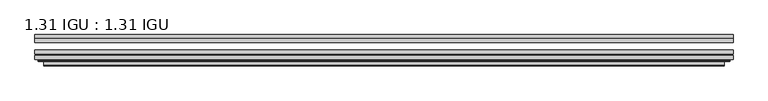
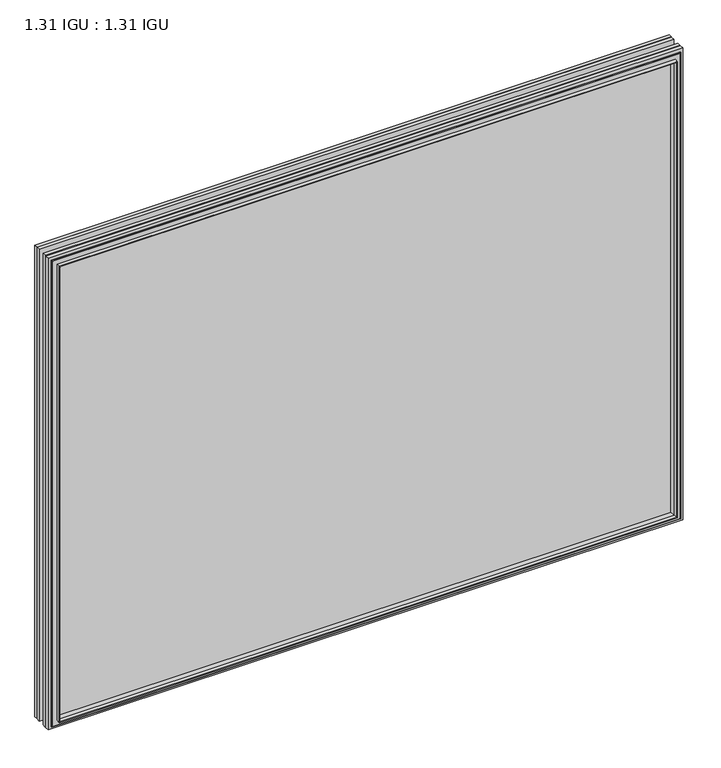
"""IFC4 building model written with IfcOpenShell, lengths in millimetres: plate geometry, 1.31 IGU : 1.31 IGU."""

from ifc_helpers import new_model, si_unit, frame, origin, place, context, project, spatial, polyline, ellipse_curve, outline, extrude, faceted_brep, source, transform, mapped, element, save
from ifc_brep_helpers import plane_surface, cylinder_surface, advanced_brep


def plate_1_31_igu_1_31_igu_26c7fae7(model_context):
    return source(origin(), model_context, "Body", "SolidModel", [
        extrude(outline(polyline([(553.9060218, -66.4725937), (553.9060218, -72.8225938), (-553.8918469, -72.8225938), (-553.8918469, -66.4725937), (553.9060218, -66.4725937)])), frame((0.0, 0.0, -14.2875), z_axis=(0.0, 0.0, 1.0), x_axis=(1.0, 0.0, 0.0)), (0.0, 0.0, 1.0), 869.9537979),
        extrude(outline(polyline([(-553.8918469, -81.4585938), (-553.8918469, -75.1080887), (553.9060218, -75.1080887), (553.9060218, -81.4585938), (-553.8918469, -81.4585938)])), frame((0.0, 0.0, -14.2875), z_axis=(0.0, 0.0, 1.0), x_axis=(1.0, 0.0, 0.0)), (0.0, 0.0, 1.0), 869.9537979),
        extrude(outline(polyline([(553.9060218, -48.1337937), (553.9060218, -54.4837938), (-553.8918469, -54.4837938), (-553.8918469, -48.1337937), (553.9060218, -48.1337937)])), frame((0.0, 0.0, -14.2875), z_axis=(0.0, 0.0, 1.0), x_axis=(1.0, 0.0, 0.0)), (0.0, 0.0, 1.0), 869.9537979),
        faceted_brep([(-539.5990371, -41.7837938, 841.3696902), (-538.7066028, -48.1337937, 840.4772559), (-538.7066028, -48.1337937, 0.8977441), (-539.5990371, -41.7837938, 0.0053098), (-553.9045469, -48.1337937, 855.6752), (-553.9045469, -41.7837938, 855.6752), (-553.9045469, -41.7837938, -14.3002), (-553.9045469, -48.1337937, -14.3002), (538.7066028, -48.1337937, 0.8977441), (539.5990371, -41.7837938, 0.0053098), (553.9045469, -41.7837938, -14.3002), (553.9045469, -48.1337937, -14.3002), (538.7066028, -48.1337937, 840.4772559), (539.5990371, -41.7837938, 841.3696902), (553.9045469, -41.7837938, 855.6752), (553.9045469, -48.1337937, 855.6752)], [[[0, 1, 2, 3]], [[4, 5, 6, 7]], [[3, 2, 8, 9]], [[7, 6, 10, 11]], [[9, 8, 12, 13]], [[11, 10, 14, 15]], [[7, 11, 15, 4], [1, 12, 8, 2]], [[13, 12, 1, 0]], [[5, 14, 10, 6], [3, 9, 13, 0]], [[15, 14, 5, 4]]]),
        advanced_brep(
        [(-548.0029818, -84.6335938, 849.7736349), (-549.0047713, -83.4482604, 850.7754244), (-549.0047713, -83.4482604, -9.4004244), (-548.0029818, -84.6335938, -8.3986349), (-539.5989253, -91.0948368, 841.3695784), (-539.5989253, -84.6335938, 841.3695784), (-539.5989253, -84.6335938, 0.0054216), (-539.5989253, -91.0948368, 0.0054216), (-538.6082685, -90.6958619, 840.3789217), (-538.6082685, -90.6958619, 0.9960783), (-537.5762408, -85.2986307, 839.3468939), (-537.5762408, -85.2986307, 2.0281061), (-532.641409, -81.4585938, 834.4120621), (-532.641409, -81.4585938, 6.9629379), (-546.6505659, -81.4585938, 848.421219), (-546.6505659, -81.4585938, -7.046219), (549.0047713, -83.4482604, -9.4004244), (548.0029818, -84.6335938, -8.3986349), (539.5989253, -84.6335938, 0.0054216), (539.5989253, -91.0948368, 0.0054216), (538.6082685, -90.6958619, 0.9960783), (537.5762408, -85.2986307, 2.0281061), (532.641409, -81.4585938, 6.9629379), (546.6505659, -81.4585938, -7.046219), (549.0047713, -83.4482604, 850.7754244), (548.0029818, -84.6335938, 849.7736349), (539.5989253, -84.6335938, 841.3695784), (539.5989253, -91.0948368, 841.3695784), (538.6082685, -90.6958619, 840.3789217), (537.5762408, -85.2986307, 839.3468939), (532.641409, -81.4585938, 834.4120621), (546.6505659, -81.4585938, 848.421219)],
        [
            (0, 1, ellipse_curve(frame((-548.0029818, -83.6175938, 849.7736349), z_axis=(-0.7071067811865475, 0.0, -0.7071067811865475), x_axis=(-0.7071067811865474, 0.0, 0.7071067811865476)), 1.436841, 1.016)),
            (1, 2),
            (2, 3, ellipse_curve(frame((-548.0029818, -83.6175938, -8.3986349), z_axis=(-0.7071067811865475, 0.0, 0.7071067811865475), x_axis=(0.7071067811865474, 0.0, 0.7071067811865476)), 1.436841, 1.016)),
            (3, 0),
            (4, 5),
            (5, 6),
            (6, 7),
            (7, 4),
            (8, 4, ellipse_curve(frame((-539.2319687, -90.5766015, 841.0026219), z_axis=(-0.7071067811865475, 0.0, -0.7071067811865475), x_axis=(-0.7071067811865474, 0.0, 0.7071067811865476)), 0.8980256, 0.635)),
            (7, 9, ellipse_curve(frame((-539.2319687, -90.5766015, 0.3723781), z_axis=(-0.7071067811865475, 0.0, 0.7071067811865475), x_axis=(0.7071067811865474, 0.0, 0.7071067811865476)), 0.8980256, 0.635)),
            (9, 8),
            (10, 8),
            (9, 11),
            (11, 10),
            (12, 10),
            (11, 13),
            (13, 12),
            (1, 14, ellipse_curve(frame((-546.6505659, -83.8461938, 848.421219), z_axis=(-0.7071067811865475, 0.0, -0.7071067811865475), x_axis=(-0.7071067811865474, 0.0, 0.7071067811865476)), 3.3765763, 2.3876)),
            (14, 15),
            (15, 2, ellipse_curve(frame((-546.6505659, -83.8461938, -7.046219), z_axis=(-0.7071067811865475, 0.0, 0.7071067811865475), x_axis=(0.7071067811865474, 0.0, 0.7071067811865476)), 3.3765763, 2.3876)),
            (2, 16),
            (16, 17, ellipse_curve(frame((548.0029818, -83.6175938, -8.3986349), z_axis=(-0.7071067811865475, 0.0, -0.7071067811865475), x_axis=(-0.7071067811865476, 0.0, 0.7071067811865474)), 1.436841, 1.016)),
            (17, 3),
            (6, 18),
            (18, 19),
            (19, 7),
            (19, 20, ellipse_curve(frame((539.2319687, -90.5766015, 0.3723781), z_axis=(-0.7071067811865475, 0.0, -0.7071067811865475), x_axis=(-0.7071067811865476, 0.0, 0.7071067811865474)), 0.8980256, 0.635)),
            (20, 9),
            (20, 21),
            (21, 11),
            (21, 22),
            (22, 13),
            (15, 23),
            (23, 16, ellipse_curve(frame((546.6505659, -83.8461938, -7.046219), z_axis=(-0.7071067811865475, 0.0, -0.7071067811865475), x_axis=(-0.7071067811865476, 0.0, 0.7071067811865474)), 3.3765763, 2.3876)),
            (16, 24),
            (24, 25, ellipse_curve(frame((548.0029818, -83.6175938, 849.7736349), z_axis=(0.7071067811865475, 0.0, -0.7071067811865475), x_axis=(-0.7071067811865474, 0.0, -0.7071067811865476)), 1.436841, 1.016)),
            (25, 17),
            (18, 26),
            (26, 27),
            (27, 19),
            (27, 28, ellipse_curve(frame((539.2319687, -90.5766015, 841.0026219), z_axis=(0.7071067811865475, 0.0, -0.7071067811865475), x_axis=(-0.7071067811865474, 0.0, -0.7071067811865476)), 0.8980256, 0.635)),
            (28, 20),
            (28, 29),
            (29, 21),
            (29, 30),
            (30, 22),
            (23, 31),
            (31, 24, ellipse_curve(frame((546.6505659, -83.8461938, 848.421219), z_axis=(0.7071067811865475, 0.0, -0.7071067811865475), x_axis=(-0.7071067811865474, 0.0, -0.7071067811865476)), 3.3765763, 2.3876)),
            (24, 1),
            (0, 25),
            (5, 26),
            (4, 27),
            (8, 28),
            (10, 29),
            (12, 30),
            (14, 31),
        ],
        [
            cylinder_surface(frame((-548.0029818, -83.6175938, 873.125), z_axis=(0.0, 0.0, 1.0), x_axis=(-1.0, 0.0, 0.0)), 1.016),
            plane_surface(frame((-539.5989253, -84.6335938, 841.3695784), z_axis=(-1.0, 0.0, 0.0), x_axis=(0.0, 0.0, -1.0))),
            cylinder_surface(frame((-539.2319687, -90.5766015, 873.125), z_axis=(0.0, 0.0, 1.0), x_axis=(-1.0, 0.0, 0.0)), 0.635),
            plane_surface(frame((-538.6082685, -90.6958619, 840.3789217), z_axis=(0.9822050625507717, -0.1878116479338675, 0.0), x_axis=(0.0, 0.0, -1.0))),
            plane_surface(frame((-537.5762408, -85.2986307, 839.3468939), z_axis=(0.6141233906514726, -0.7892100234124875, 0.0), x_axis=(0.0, 0.0, -1.0))),
            cylinder_surface(frame((-546.6505659, -83.8461938, 873.125), z_axis=(0.0, 0.0, 1.0), x_axis=(-1.0, 0.0, 0.0)), 2.3876),
            cylinder_surface(frame((-571.3543469, -83.6175938, -8.3986349), z_axis=(-1.0, 0.0, 0.0), x_axis=(0.0, 0.0, -1.0)), 1.016),
            plane_surface(frame((-539.5989253, -84.6335938, 0.0054216), z_axis=(0.0, 0.0, -1.0), x_axis=(1.0, 0.0, 0.0))),
            cylinder_surface(frame((-571.3543469, -90.5766015, 0.3723781), z_axis=(-1.0, 0.0, 0.0), x_axis=(0.0, 0.0, -1.0)), 0.635),
            plane_surface(frame((-538.6082685, -90.6958619, 0.9960783), z_axis=(0.0, -0.18781164793386435, 0.9822050625507722), x_axis=(1.0, 0.0, 0.0))),
            plane_surface(frame((-537.5762408, -85.2986307, 2.0281061), z_axis=(0.0, -0.7892100234124855, 0.6141233906514751), x_axis=(1.0, 0.0, 0.0))),
            cylinder_surface(frame((-571.3543469, -83.8461938, -7.046219), z_axis=(-1.0, 0.0, 0.0), x_axis=(0.0, 0.0, -1.0)), 2.3876),
            cylinder_surface(frame((548.0029818, -83.6175938, -31.75), z_axis=(0.0, 0.0, -1.0), x_axis=(1.0, 0.0, 0.0)), 1.016),
            plane_surface(frame((539.5989253, -84.6335938, 0.0054216), z_axis=(1.0, 0.0, 0.0), x_axis=(0.0, 0.0, 1.0))),
            cylinder_surface(frame((539.2319687, -90.5766015, -31.75), z_axis=(0.0, 0.0, -1.0), x_axis=(1.0, 0.0, 0.0)), 0.635),
            plane_surface(frame((538.6082685, -90.6958619, 0.9960783), z_axis=(-0.9822050625507728, -0.18781164793386118, 0.0), x_axis=(0.0, 0.0, 1.0))),
            plane_surface(frame((537.5762408, -85.2986307, 2.0281061), z_axis=(-0.6141233906514777, -0.7892100234124835, 0.0), x_axis=(0.0, 0.0, 1.0))),
            cylinder_surface(frame((546.6505659, -83.8461938, -31.75), z_axis=(0.0, 0.0, -1.0), x_axis=(1.0, 0.0, 0.0)), 2.3876),
            cylinder_surface(frame((571.3543469, -83.6175938, 849.7736349), z_axis=(1.0, 0.0, 0.0), x_axis=(0.0, 0.0, 1.0)), 1.016),
            plane_surface(frame((548.0029818, -84.6335938, 849.7736349), z_axis=(0.0, -1.0, 0.0), x_axis=(-1.0, 0.0, 0.0))),
            plane_surface(frame((539.5989253, -84.6335938, 841.3695784), z_axis=(0.0, 0.0, 1.0), x_axis=(-1.0, 0.0, 0.0))),
            cylinder_surface(frame((571.3543469, -90.5766015, 841.0026219), z_axis=(1.0, 0.0, 0.0), x_axis=(0.0, 0.0, 1.0)), 0.635),
            plane_surface(frame((538.6082685, -90.6958619, 840.3789217), z_axis=(0.0, -0.18781164793386435, -0.9822050625507722), x_axis=(-1.0, 0.0, 0.0))),
            plane_surface(frame((537.5762408, -85.2986307, 839.3468939), z_axis=(0.0, -0.7892100234124855, -0.6141233906514751), x_axis=(-1.0, 0.0, 0.0))),
            plane_surface(frame((532.641409, -81.4585938, 834.4120621), z_axis=(0.0, 1.0, 0.0), x_axis=(-1.0, 0.0, 0.0))),
            cylinder_surface(frame((571.3543469, -83.8461938, 848.421219), z_axis=(1.0, 0.0, 0.0), x_axis=(0.0, 0.0, 1.0)), 2.3876),
        ],
        [
            (0, [[1, 2, 3, 4]]),
            (1, [[5, 6, 7, 8]]),
            (2, [[9, -8, 10, 11]]),
            (3, [[12, -11, 13, 14]]),
            (4, [[15, -14, 16, 17]]),
            (5, [[18, 19, 20, -2]]),
            (6, [[-3, 21, 22, 23]]),
            (7, [[-7, 24, 25, 26]]),
            (8, [[-10, -26, 27, 28]]),
            (9, [[-13, -28, 29, 30]]),
            (10, [[-16, -30, 31, 32]]),
            (11, [[-20, 33, 34, -21]]),
            (12, [[-22, 35, 36, 37]]),
            (13, [[-25, 38, 39, 40]]),
            (14, [[-27, -40, 41, 42]]),
            (15, [[-29, -42, 43, 44]]),
            (16, [[-31, -44, 45, 46]]),
            (17, [[-34, 47, 48, -35]]),
            (18, [[-36, 49, -1, 50]]),
            (19, [[-23, -37, -50, -4], [51, -38, -24, -6]]),
            (20, [[-39, -51, -5, 52]]),
            (21, [[-41, -52, -9, 53]]),
            (22, [[-43, -53, -12, 54]]),
            (23, [[-45, -54, -15, 55]]),
            (24, [[56, -47, -33, -19], [-32, -46, -55, -17]]),
            (25, [[-48, -56, -18, -49]]),
        ],
    ),
    ])


if __name__ == "__main__":
    model = new_model("IFC4")
    model_context = context("Model", 3, world=origin())
    ifc_project = project(units=[si_unit("LENGTHUNIT", "METRE", prefix="MILLI")], contexts=[model_context])
    site = spatial("IfcSite", under=ifc_project)
    building = spatial("IfcBuilding", under=site)
    placement = place(None, origin())
    plate_1_31_igu_1_31_igu_shape = plate_1_31_igu_1_31_igu_26c7fae7(model_context)
    element("IfcPlate", 1, ObjectType="1.31 IGU : 1.31 IGU", at=placement, inside=building, context=model_context, shape_type="MappedRepresentation", body=[
        mapped(plate_1_31_igu_1_31_igu_shape, transform((0.0, 0.0, 0.0), x_axis=(1.0, 0.0, 0.0), y_axis=(0.0, 1.0, 0.0), z_axis=(0.0, 0.0, 1.0))),
    ])
    save(model, "model.ifc")
